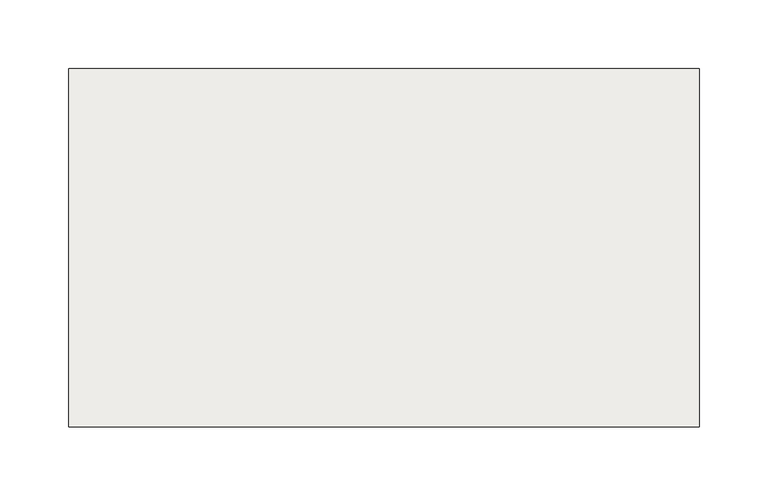
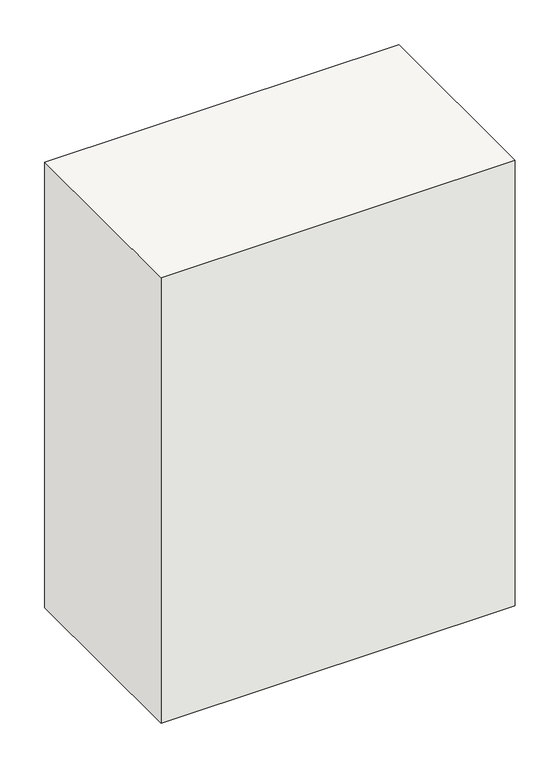
"""IFC4 building model written with IfcOpenShell, lengths in millimetres: slab geometry."""

from ifc_helpers import new_model, si_unit, origin, place, context, project, spatial, faceted_brep, source, transform, mapped, element, save


def slab_d4533e53(model_context):
    return source(origin(), model_context, "Body", "Brep", [
        faceted_brep([(3243.1551397, -9742.2498715, 0.0), (3243.1551397, -9482.1845438, 0.0), (2785.9551397, -9482.1845438, 0.0), (2785.9551397, -9742.2498715, 0.0), (3243.1551397, -9742.2498715, -607.9724127), (2785.9551397, -9742.2498715, -607.9724127), (2785.9551397, -9482.1845438, -607.9724127), (3243.1551397, -9482.1845438, -607.9724127), (3243.1551397, -9482.1845438, -279.4)], [[[0, 1, 2, 3]], [[4, 5, 6, 7]], [[1, 0, 4, 7, 8]], [[2, 1, 8, 7, 6]], [[3, 2, 6, 5]], [[0, 3, 5, 4]]]),
    ])


if __name__ == "__main__":
    model = new_model("IFC4")
    model_context = context("Model", 3, world=origin())
    ifc_project = project(units=[si_unit("LENGTHUNIT", "METRE", prefix="MILLI")], contexts=[model_context])
    site = spatial("IfcSite", under=ifc_project)
    building = spatial("IfcBuilding", under=site)
    placement = place(None, origin())
    slab_shape = slab_d4533e53(model_context)
    element("IfcSlab", 1, at=placement, inside=building, context=model_context, shape_type="MappedRepresentation", body=[
        mapped(slab_shape, transform((0.0, 0.0, 0.0), x_axis=(1.0, 0.0, 0.0), y_axis=(0.0, 1.0, 0.0), z_axis=(0.0, 0.0, 1.0))),
    ])
    save(model, "model.ifc")
